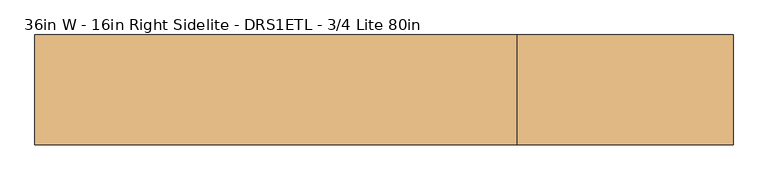
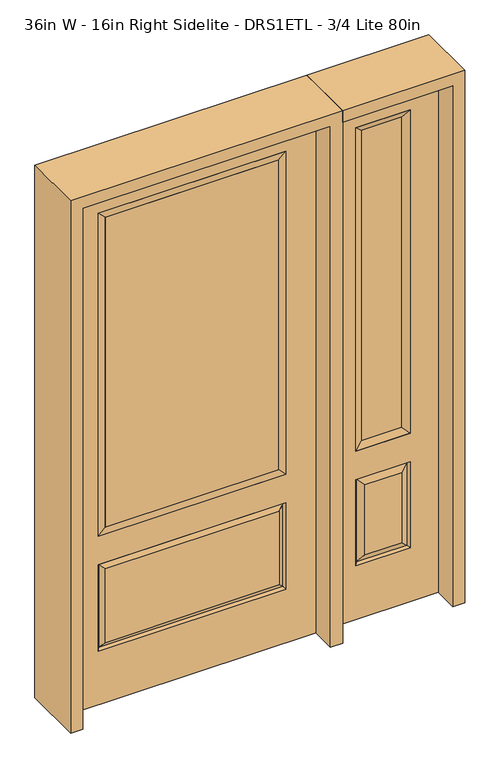
"""IFC4 building model written with IfcOpenShell, lengths in millimetres: door geometry, 36in W - 16in Right Sidelite - DRS1ETL - 3/4 Lite 80in."""

from ifc_helpers import new_model, si_unit, frame, origin, place, context, project, spatial, polyline, outline, extrude, faceted_brep, source, transform, mapped, element, save


def door_36in_w_16in_right_sidelite_drs1etl_3_4_lite_80in_91f336fb(model_context):
    return source(origin(), model_context, "Body", "SolidModel", [
        faceted_brep([(501.65, -22.225, 0.0), (908.05, -22.225, 0.0), (908.05, -22.225, 2032.0), (501.65, -22.225, 2032.0), (805.18, -22.225, 1919.224), (805.18, -22.225, 657.098), (604.52, -22.225, 657.098), (604.52, -22.225, 1919.224), (805.18, -22.225, 209.55), (604.52, -22.225, 209.55), (604.52, -22.225, 546.1), (805.18, -22.225, 546.1), (636.2351001, -22.225, 241.2651001), (773.4648999, -22.225, 241.2651001), (773.4648999, -22.225, 514.3848999), (636.2351001, -22.225, 514.3848999), (501.65, 22.225, 0.0), (501.65, 22.225, 2032.0), (908.05, 22.225, 2032.0), (908.05, 22.225, 0.0), (805.18, 22.225, 1919.224), (604.52, 22.225, 1919.224), (604.52, 22.225, 657.098), (805.18, 22.225, 657.098), (604.52, 22.225, 209.55), (805.18, 22.225, 209.55), (805.18, 22.225, 546.1), (604.52, 22.225, 546.1), (773.4648999, 22.225, 241.2651001), (636.2351001, 22.225, 241.2651001), (636.2351001, 22.225, 514.3848999), (773.4648999, 22.225, 514.3848999), (798.0711499, 12.7912373, 216.6588501), (611.6288501, 12.7912373, 216.6588501), (611.6288501, 12.7912373, 538.9911499), (798.0711499, 12.7912373, 538.9911499), (611.6288501, -12.7912373, 216.6588501), (798.0711499, -12.7912373, 216.6588501), (611.6288501, -12.7912373, 538.9911499), (798.0711499, -12.7912373, 538.9911499)], [[[0, 1, 2, 3], [4, 5, 6, 7], [8, 9, 10, 11]], [[12, 13, 14, 15]], [[16, 17, 18, 19], [20, 21, 22, 23], [24, 25, 26, 27]], [[28, 29, 30, 31]], [[1, 0, 16, 19]], [[2, 1, 19, 18]], [[3, 2, 18, 17]], [[0, 3, 17, 16]], [[5, 4, 20, 23]], [[6, 5, 23, 22]], [[7, 6, 22, 21]], [[4, 7, 21, 20]], [[32, 33, 29, 28]], [[33, 32, 25, 24]], [[29, 33, 34, 30]], [[33, 24, 27, 34]], [[30, 34, 35, 31]], [[34, 27, 26, 35]], [[32, 28, 31, 35]], [[25, 32, 35, 26]], [[12, 36, 37, 13]], [[37, 36, 9, 8]], [[36, 12, 15, 38]], [[9, 36, 38, 10]], [[38, 15, 14, 39]], [[10, 38, 39, 11]], [[13, 37, 39, 14]], [[37, 8, 11, 39]]]),
        faceted_brep([(604.52, 22.225, 1919.224), (604.52, -22.225, 1919.224), (805.18, -22.225, 1919.224), (805.18, 22.225, 1919.224), (629.92, 12.7, 1893.824), (779.78, 12.7, 1893.824), (629.92, -12.7, 1893.824), (779.78, -12.7, 1893.824), (805.18, -22.225, 657.098), (805.18, 22.225, 657.098), (779.78, 12.7, 682.498), (779.78, -12.7, 682.498), (604.52, -22.225, 657.098), (604.52, 22.225, 657.098), (629.92, 12.7, 682.498), (629.92, -12.7, 682.498)], [[[0, 1, 2, 3]], [[4, 0, 3, 5]], [[6, 4, 5, 7]], [[1, 6, 7, 2]], [[3, 2, 8, 9]], [[5, 3, 9, 10]], [[7, 5, 10, 11]], [[2, 7, 11, 8]], [[9, 8, 12, 13]], [[10, 9, 13, 14]], [[11, 10, 14, 15]], [[8, 11, 15, 12]], [[13, 12, 1, 0]], [[14, 13, 0, 4]], [[15, 14, 4, 6]], [[12, 15, 6, 1]]]),
        extrude(outline(polyline([(779.78, -12.7), (629.92, -12.7), (629.92, 12.7), (779.78, 12.7), (779.78, -12.7)])), frame((0.0, 0.0, 682.498), z_axis=(0.0, 0.0, 1.0), x_axis=(1.0, 0.0, 0.0)), (0.0, 0.0, 1.0), 1211.326),
        faceted_brep([(-338.9661499, -12.7912373, 216.6588501), (338.9661499, -12.7912373, 216.6588501), (321.46875, -22.225, 234.15625), (-321.46875, -22.225, 234.15625), (-346.075, -22.225, 209.55), (346.075, -22.225, 209.55), (-338.9661499, -12.7912373, 538.9911499), (-346.075, -22.225, 546.1), (321.46875, -22.225, 521.49375), (-321.46875, -22.225, 521.49375), (457.2, -22.225, 2032.0), (-457.2, -22.225, 2032.0), (-457.2, -22.225, 0.0), (457.2, -22.225, 0.0), (346.075, -22.225, 546.1), (346.075, -22.225, 1917.7), (346.075, -22.225, 657.098), (-346.075, -22.225, 657.098), (-346.075, -22.225, 1917.7), (338.9661499, -12.7912373, 538.9911499), (-457.2, 22.225, 2032.0), (-457.2, 22.225, 0.0), (457.2, 22.225, 0.0), (457.2, 22.225, 2032.0), (346.075, 22.225, 1917.7), (346.075, 22.225, 657.098), (-346.075, 22.225, 657.098), (-346.075, 22.225, 1917.7), (-346.075, 22.225, 209.55), (346.075, 22.225, 209.55), (346.075, 22.225, 546.1), (-346.075, 22.225, 546.1), (321.46875, 22.225, 234.15625), (-321.46875, 22.225, 234.15625), (-321.46875, 22.225, 521.49375), (321.46875, 22.225, 521.49375), (-338.9661499, 12.7912373, 216.6588501), (338.9661499, 12.7912373, 216.6588501), (338.9661499, 12.7912373, 538.9911499), (-338.9661499, 12.7912373, 538.9911499)], [[[0, 1, 2, 3]], [[1, 0, 4, 5]], [[4, 0, 6, 7]], [[3, 2, 8, 9]], [[10, 11, 12, 13], [5, 4, 7, 14], [15, 16, 17, 18]], [[1, 5, 14, 19]], [[2, 1, 19, 8]], [[0, 3, 9, 6]], [[7, 6, 19, 14]], [[6, 9, 8, 19]], [[12, 11, 20, 21]], [[13, 12, 21, 22]], [[10, 13, 22, 23]], [[16, 15, 24, 25]], [[17, 16, 25, 26]], [[18, 17, 26, 27]], [[23, 22, 21, 20], [28, 29, 30, 31], [24, 27, 26, 25]], [[32, 33, 34, 35]], [[28, 36, 37, 29]], [[29, 37, 38, 30]], [[39, 31, 30, 38]], [[36, 28, 31, 39]], [[37, 36, 33, 32]], [[33, 36, 39, 34]], [[34, 39, 38, 35]], [[37, 32, 35, 38]], [[11, 10, 23, 20]], [[15, 18, 27, 24]]]),
        faceted_brep([(-346.075, -22.225, 1917.7), (-346.075, 22.225, 1917.7), (-346.075, 22.225, 657.098), (-346.075, -22.225, 657.098), (346.075, 22.225, 657.098), (346.075, -22.225, 657.098), (-320.675, 5.08, 682.498), (320.675, 5.08, 682.498), (346.075, 22.225, 1917.7), (346.075, -22.225, 1917.7), (-320.675, -20.32, 682.498), (320.675, -20.32, 682.498), (-320.675, -20.32, 1892.3), (320.675, -20.32, 1892.3), (-320.675, 5.08, 1892.3), (320.675, 5.08, 1892.3)], [[[0, 1, 2, 3]], [[3, 2, 4, 5]], [[2, 6, 7, 4]], [[5, 4, 8, 9]], [[10, 3, 5, 11]], [[12, 0, 3, 10]], [[11, 5, 9, 13]], [[6, 10, 11, 7]], [[14, 12, 10, 6]], [[7, 11, 13, 15]], [[1, 14, 6, 2]], [[4, 7, 15, 8]], [[9, 8, 1, 0]], [[13, 9, 0, 12]], [[15, 13, 12, 14]], [[8, 15, 14, 1]]]),
        extrude(outline(polyline([(320.675, -20.32), (-320.675, -20.32), (-320.675, 5.08), (320.675, 5.08), (320.675, -20.32)])), frame((0.0, 0.0, 682.498), z_axis=(0.0, 0.0, 1.0), x_axis=(1.0, 0.0, 0.0)), (0.0, 0.0, 1.0), 1209.802),
        extrude(outline(polyline([(2076.45, -501.65), (0.0, -501.65), (0.0, -457.2), (2032.0, -457.2), (2032.0, 457.2), (0.0, 457.2), (0.0, 501.65), (2076.45, 501.65), (2076.45, -501.65)])), frame((0.0, -114.3, 0.0), z_axis=(0.0, 1.0, 0.0), x_axis=(0.0, 0.0, 1.0)), (0.0, 0.0, 1.0), 228.6),
        extrude(outline(polyline([(0.0, 908.05), (0.0, 952.5), (2076.45, 952.5), (2076.45, 501.65), (2032.0, 501.65), (2032.0, 908.05), (0.0, 908.05)])), frame((0.0, -114.3, 0.0), z_axis=(0.0, 1.0, 0.0), x_axis=(0.0, 0.0, 1.0)), (0.0, 0.0, 1.0), 228.6),
    ])


if __name__ == "__main__":
    model = new_model("IFC4")
    model_context = context("Model", 3, world=origin())
    ifc_project = project(units=[si_unit("LENGTHUNIT", "METRE", prefix="MILLI")], contexts=[model_context])
    site = spatial("IfcSite", under=ifc_project)
    building = spatial("IfcBuilding", under=site)
    placement = place(None, origin())
    door_36in_w_16in_right_sidelite_drs1etl_3_4_lite_80in_shape = door_36in_w_16in_right_sidelite_drs1etl_3_4_lite_80in_91f336fb(model_context)
    element("IfcDoor", 1, ObjectType="36in W - 16in Right Sidelite - DRS1ETL - 3/4 Lite 80in", at=placement, inside=building, context=model_context, shape_type="MappedRepresentation", body=[
        mapped(door_36in_w_16in_right_sidelite_drs1etl_3_4_lite_80in_shape, transform((0.0, 0.0, 0.0), x_axis=(1.0, 0.0, 0.0), y_axis=(0.0, 1.0, 0.0), z_axis=(0.0, 0.0, 1.0))),
    ])
    save(model, "model.ifc")
